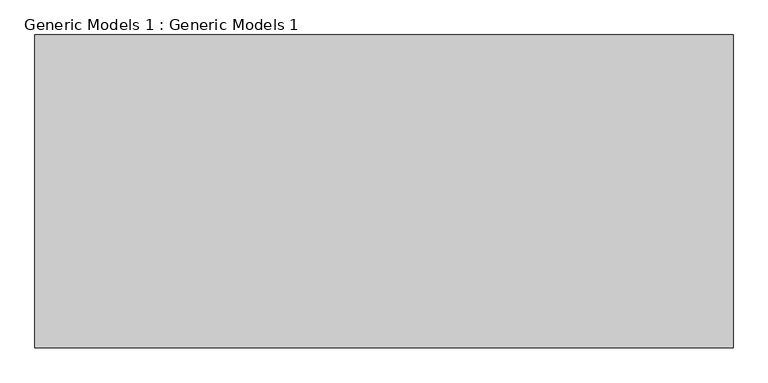
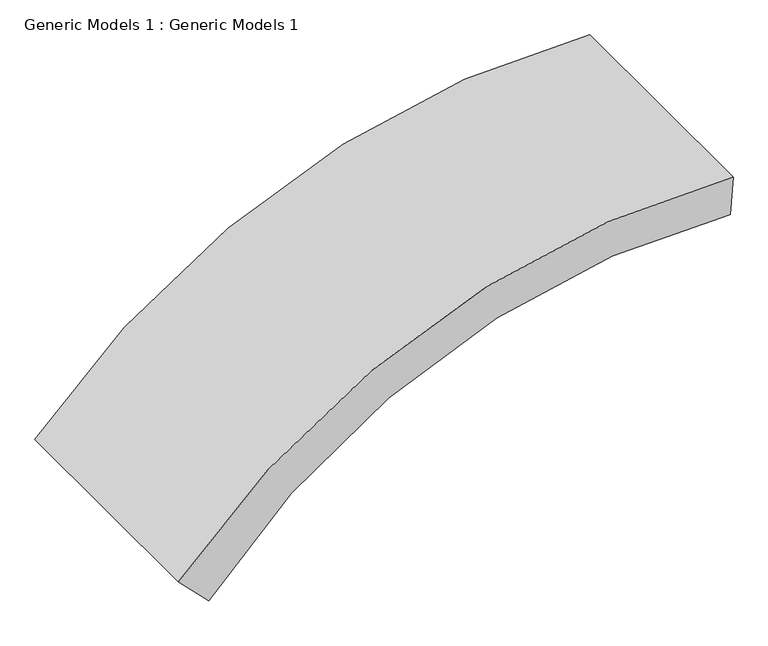
"""IFC4 building model written with IfcOpenShell, lengths in millimetres: proxy geometry, Generic Models 1 : Generic Models 1."""

from ifc_helpers import new_model, si_unit, point, frame, frame_2d, origin, place, context, project, spatial, polyline, circle_curve, trimmed, segment, composite_curve, outline, extrude, source, transform, mapped, element, save


def generic_models_1_generic_models_1_34cc57fb(model_context):
    return source(origin(), model_context, "Body", "SweptSolid", [
        extrude(outline(composite_curve([segment(trimmed(circle_curve(frame_2d((-5955.2351555, 136743.2610358)), 10980.6649577), [point((5000.0, 137490.1382691))], [point((1163.0294365, 128382.321369))], False, "CARTESIAN"), True, "CONTINUOUS"), segment(polyline([(1163.0294365, 128382.321369), (660.083539, 128885.2672664)]), True, "CONTINUOUS"), segment(trimmed(circle_curve(frame_2d((-5581.8008636, 136673.242106)), 9980.6649577), [point((660.083539, 128885.2672664))], [point((4369.2561569, 137441.4459688))], True, "CARTESIAN"), True, "CONTINUOUS"), segment(polyline([(4369.2561569, 137441.4459688), (5000.0, 137490.1382691)]), True, "CONTINUOUS")], self_intersect=False)), frame((0.0, -35017.5221802, 0.0), z_axis=(0.0, 1.0, 0.0), x_axis=(0.0, 0.0, 1.0)), (0.0, 0.0, 1.0), 4078.8908062),
    ])


if __name__ == "__main__":
    model = new_model("IFC4")
    model_context = context("Model", 3, world=origin())
    ifc_project = project(units=[si_unit("LENGTHUNIT", "METRE", prefix="MILLI")], contexts=[model_context])
    site = spatial("IfcSite", under=ifc_project)
    building = spatial("IfcBuilding", under=site)
    placement = place(None, origin())
    generic_models_1_generic_models_1_shape = generic_models_1_generic_models_1_34cc57fb(model_context)
    element("IfcBuildingElementProxy", 1, Name="Generic Models 1 : Generic Models 1", ObjectType="Generic Models 1 : Generic Models 1", at=placement, inside=building, context=model_context, shape_type="MappedRepresentation", body=[
        mapped(generic_models_1_generic_models_1_shape, transform((0.0, 0.0, 0.0), x_axis=(1.0, 0.0, 0.0), y_axis=(0.0, 1.0, 0.0), z_axis=(0.0, 0.0, 1.0))),
    ])
    save(model, "model.ifc")
